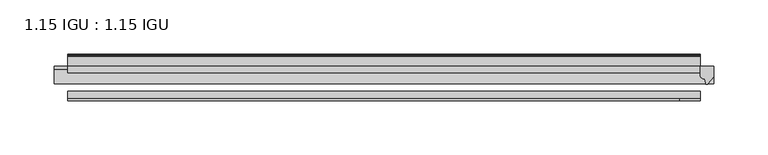
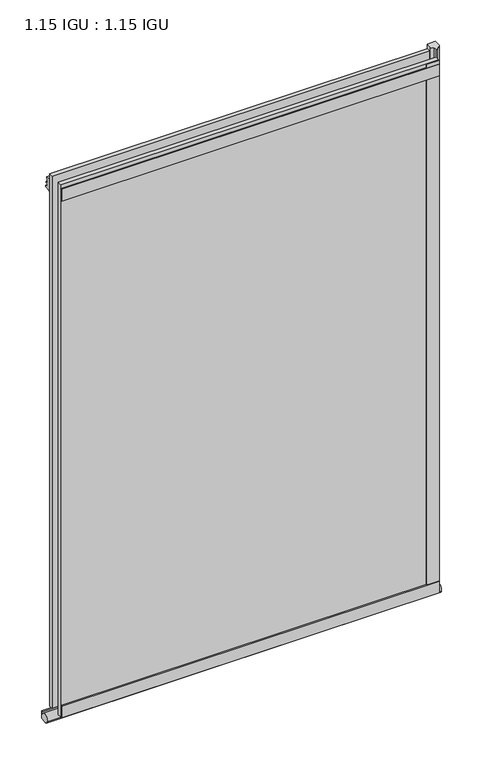
"""IFC4 building model written with IfcOpenShell, lengths in millimetres: plate geometry, 1.15 IGU : 1.15 IGU."""

from ifc_helpers import new_model, si_unit, point, frame, frame_2d, origin, place, context, project, spatial, polyline, circle_curve, ellipse_curve, trimmed, segment, composite_curve, outline, extrude, source, transform, mapped, element, save
from ifc_brep_helpers import plane_surface, revolved_surface, extruded_surface, advanced_brep


def plate_1_15_igu_1_15_igu_f0589670(model_context):
    return source(origin(), model_context, "Body", "SolidModel", [
        extrude(outline(polyline([(292.1, 0.0), (292.1, -6.2992), (-292.1, -6.2992), (-292.1, 0.0), (292.1, 0.0)])), frame((0.0, 0.0, -19.05), z_axis=(0.0, 0.0, 1.0), x_axis=(1.0, 0.0, 0.0)), (0.0, 0.0, 1.0), 869.9368072),
        extrude(outline(polyline([(-292.1, -23.1648), (292.1, -23.1648), (292.1, -29.464), (-292.1, -29.464), (-292.1, -23.1648)])), frame((0.0, 0.0, -19.05), z_axis=(0.0, 0.0, 1.0), x_axis=(1.0, 0.0, 0.0)), (0.0, 0.0, 1.0), 869.9368072),
        advanced_brep(
        [(304.8, -2.9334208, -29.3692082), (304.8, -15.7658436, -30.8313288), (304.8, -6.7904952, -34.925), (304.8, 0.0, -34.925), (304.8, 0.0, -22.225), (304.8, -2.5187477, -22.225), (-304.8, -2.9073519, -29.3720514), (-304.8, -2.5187477, -22.225), (-304.8, 0.0, -22.225), (-304.8, 0.0, -34.925), (-304.8, -6.7904952, -34.925), (-304.8, -15.7658436, -30.8313288)],
        [
            (0, 1, ellipse_curve(frame((304.8, -9.5065066, -28.575), z_axis=(1.0, 0.0, 0.0), x_axis=(0.0, 0.0, -1.0)), 6.9638038, 6.6162554)),
            (1, 2, ellipse_curve(frame((304.8, -9.5065066, -28.575), z_axis=(1.0, 0.0, 0.0), x_axis=(0.0, 0.0, -1.0)), 6.9638038, 6.6162554)),
            (2, 3),
            (3, 4, circle_curve(frame((304.8, 24.1576838, -28.575), z_axis=(-1.0, 0.0, 0.0), x_axis=(0.0, 0.0, 1.0)), 24.9783143)),
            (4, 5),
            (5, 0, circle_curve(frame((304.8, -68.4358767, -22.225), z_axis=(-1.0, 0.0, 0.0), x_axis=(0.0, 0.0, 1.0)), 65.917129)),
            (6, 7, circle_curve(frame((-304.8, -68.4358767, -22.225), z_axis=(1.0, 0.0, 0.0), x_axis=(0.0, 0.0, 1.0)), 65.917129)),
            (7, 8),
            (8, 9, circle_curve(frame((-304.8, 24.1576838, -28.575), z_axis=(1.0, 0.0, 0.0), x_axis=(0.0, 0.0, 1.0)), 24.9783143)),
            (9, 10),
            (10, 11, ellipse_curve(frame((-304.8, -9.5065066, -28.575), z_axis=(-1.0, 0.0, 0.0), x_axis=(0.0, 0.0, -1.0)), 6.9638038, 6.6162554)),
            (11, 6, ellipse_curve(frame((-304.8, -9.5065066, -28.575), z_axis=(-1.0, 0.0, 0.0), x_axis=(0.0, 0.0, -1.0)), 6.9638038, 6.6162554)),
            (0, 6),
            (11, 1),
            (10, 2),
            (9, 3),
            (8, 4),
            (7, 5),
        ],
        [
            plane_surface(frame((304.8, 0.0, -28.575), z_axis=(1.0, 0.0, 0.0), x_axis=(0.0, 1.0, 0.0))),
            plane_surface(frame((-304.8, 0.0, -28.575), z_axis=(-1.0, 0.0, 0.0), x_axis=(0.0, 1.0, 0.0))),
            extruded_surface(trimmed(ellipse_curve(frame((-304.8, -9.5065066, -28.575), z_axis=(1.0, 0.0, 0.0), x_axis=(0.0, 0.0, -1.0)), 6.9638038, 6.6162554), [point((-304.8, -2.9334208, -29.3692082))], [point((-304.8, -15.7658436, -30.8313288))], True, "CARTESIAN"), (609.6, 0.0, 0.0), 609.6),
            extruded_surface(trimmed(ellipse_curve(frame((-304.8, -9.5065066, -28.575), z_axis=(1.0, 0.0, 0.0), x_axis=(0.0, 0.0, -1.0)), 6.9638038, 6.6162554), [point((-304.8, -15.7658436, -30.8313288))], [point((-304.8, -6.7904952, -34.925))], True, "CARTESIAN"), (609.6, 0.0, 0.0), 609.6),
            plane_surface(frame((304.8, -6.7904952, -34.925), z_axis=(0.0, 0.0, -1.0), x_axis=(-1.0, 0.0, 0.0))),
            revolved_surface(polyline([(-304.8, 24.1576838, -3.5966856999999983), (304.8, 24.1576838, -3.5966856999999983)]), (304.8, 24.1576838, -28.575), (-1.0, 0.0, 0.0)),
            plane_surface(frame((304.8, 0.0, -22.225), z_axis=(0.0, 0.0, 1.0), x_axis=(-1.0, 0.0, 0.0))),
            revolved_surface(polyline([(-304.8, -68.4358767, 43.692129), (304.8, -68.4358767, 43.692129)]), (304.8, -68.4358767, -22.225), (-1.0, 0.0, 0.0)),
        ],
        [
            (0, [[1, 2, 3, 4, 5, 6]]),
            (1, [[7, 8, 9, 10, 11, 12]]),
            (2, [[-1, 13, -12, 14]]),
            (3, [[-2, -14, -11, 15]]),
            (4, [[-3, -15, -10, 16]]),
            (5, [[-4, -16, -9, 17]]),
            (6, [[-5, -17, -8, 18]]),
            (7, [[-6, -18, -7, -13]]),
        ],
    ),
        extrude(outline(composite_curve([segment(polyline([(304.8, 0.0), (304.8, -9.7395025), (299.2337691, -16.3730781)]), True, "CONTINUOUS"), segment(trimmed(circle_curve(frame_2d((298.2800941, -15.7728374)), 1.1268473), [point((299.2337691, -16.3730781))], [point((297.1791412, -16.0130197))], False, "CARTESIAN"), True, "CONTINUOUS"), segment(polyline([(297.1791412, -16.0130197), (296.1989498, -11.7377885)]), True, "CONTINUOUS"), segment(trimmed(circle_curve(frame_2d((296.0714979, -7.7683362)), 3.9714979), [point((296.1989498, -11.7377885))], [point((292.1001786, -7.8060014))], False, "CARTESIAN"), True, "CONTINUOUS"), segment(polyline([(292.1001786, -7.8060014), (292.1001786, 0.0), (304.8, 0.0)]), True, "CONTINUOUS")], self_intersect=False)), frame((0.0, 0.0, -19.05), z_axis=(0.0, 0.0, 1.0), x_axis=(1.0, 0.0, 0.0)), (0.0, 0.0, 1.0), 877.0742072),
        extrude(outline(polyline([(-292.1, -31.75), (-292.1, -29.464), (292.1, -29.464), (292.1, -31.75), (-292.1, -31.75)])), frame((0.0, 0.0, -19.05), z_axis=(0.0, 0.0, 1.0), x_axis=(1.0, 0.0, 0.0)), (0.0, 0.0, 1.0), 19.05),
        extrude(outline(composite_curve([segment(polyline([(8.509, 840.7300284), (8.509, 838.6980284), (6.35, 838.6980284), (6.35, 833.3640284), (8.9492698, 833.3640284)]), True, "CONTINUOUS"), segment(trimmed(circle_curve(frame_2d((8.208689, 831.8368072)), 1.697311), [point((8.9492698, 833.3640284))], [point((8.962411, 830.3160284))], False, "CARTESIAN"), True, "CONTINUOUS"), segment(polyline([(8.962411, 830.3160284), (6.35, 830.3160284), (6.35, 825.4868072), (11.1252, 825.4868072), (11.1252, 824.5978072)]), True, "CONTINUOUS"), segment(trimmed(circle_curve(frame_2d((10.1092, 824.5978072)), 1.016), [point((11.1252, 824.5978072))], [point((10.1092, 823.5818072))], False, "CARTESIAN"), True, "CONTINUOUS"), segment(trimmed(circle_curve(frame_2d((10.1092, 804.1707318)), 19.4110754), [point((10.1092, 823.5818072))], [point((0.0, 820.7416075))], True, "CARTESIAN"), True, "CONTINUOUS"), segment(polyline([(0.0, 820.7416075), (0.0, 840.7300284), (8.509, 840.7300284)]), True, "CONTINUOUS")], self_intersect=False)), frame((-292.1, 0.0, 0.0), z_axis=(1.0, 0.0, 0.0), x_axis=(0.0, 1.0, 0.0)), (0.0, 0.0, 1.0), 584.2),
        extrude(outline(polyline([(-292.1, -31.75), (-292.1, -29.464), (292.1, -29.464), (292.1, -31.75), (-292.1, -31.75)])), frame((0.0, 0.0, 825.4868072), z_axis=(0.0, 0.0, 1.0), x_axis=(1.0, 0.0, 0.0)), (0.0, 0.0, 1.0), 19.05),
        extrude(outline(polyline([(273.05, -29.464), (292.1, -29.464), (292.1, -31.75), (273.05, -31.75), (273.05, -29.464)])), frame((0.0, 0.0, -19.05), z_axis=(0.0, 0.0, 1.0), x_axis=(1.0, 0.0, 0.0)), (0.0, 0.0, 1.0), 869.9368072),
    ])


if __name__ == "__main__":
    model = new_model("IFC4")
    model_context = context("Model", 3, world=origin())
    ifc_project = project(units=[si_unit("LENGTHUNIT", "METRE", prefix="MILLI")], contexts=[model_context])
    site = spatial("IfcSite", under=ifc_project)
    building = spatial("IfcBuilding", under=site)
    placement = place(None, origin())
    plate_1_15_igu_1_15_igu_shape = plate_1_15_igu_1_15_igu_f0589670(model_context)
    element("IfcPlate", 1, ObjectType="1.15 IGU : 1.15 IGU", at=placement, inside=building, context=model_context, shape_type="MappedRepresentation", body=[
        mapped(plate_1_15_igu_1_15_igu_shape, transform((0.0, 0.0, 0.0), x_axis=(1.0, 0.0, 0.0), y_axis=(0.0, 1.0, 0.0), z_axis=(0.0, 0.0, 1.0))),
    ])
    save(model, "model.ifc")
